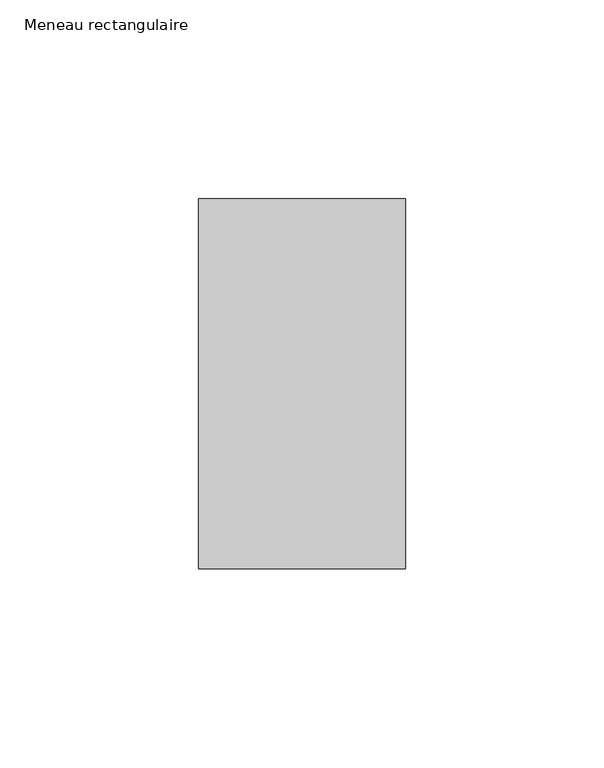
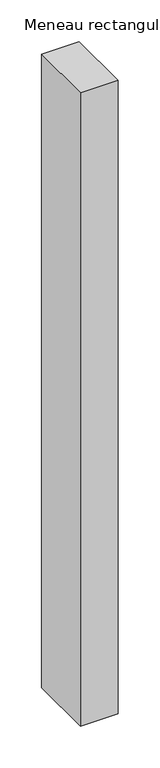
"""IFC4 building model written with IfcOpenShell, lengths in millimetres: member geometry, Meneau rectangulaire."""

from ifc_helpers import new_model, si_unit, frame, origin, place, context, project, spatial, polyline, outline, extrude, source, transform, mapped, element, save


def meneau_rectangulaire_2877e69a(model_context):
    return source(origin(), model_context, "Body", "SweptSolid", [
        extrude(outline(polyline([(-52.0, 46.5), (0.0, 46.5), (0.0, -46.5), (-52.0, -46.5), (-52.0, 46.5)])), frame((0.0, 0.0, -925.5040491), z_axis=(0.0, 0.0, 1.0), x_axis=(1.0, 0.0, 0.0)), (0.0, 0.0, 1.0), 925.5040491),
    ])


if __name__ == "__main__":
    model = new_model("IFC4")
    model_context = context("Model", 3, world=origin())
    ifc_project = project(units=[si_unit("LENGTHUNIT", "METRE", prefix="MILLI")], contexts=[model_context])
    site = spatial("IfcSite", under=ifc_project)
    building = spatial("IfcBuilding", under=site)
    placement = place(None, origin())
    meneau_rectangulaire_shape = meneau_rectangulaire_2877e69a(model_context)
    element("IfcMember", 1, ObjectType="Meneau rectangulaire", at=placement, inside=building, context=model_context, shape_type="MappedRepresentation", body=[
        mapped(meneau_rectangulaire_shape, transform((0.0, 0.0, 0.0), x_axis=(1.0, 0.0, 0.0), y_axis=(0.0, 1.0, 0.0), z_axis=(0.0, 0.0, 1.0))),
    ])
    save(model, "model.ifc")
